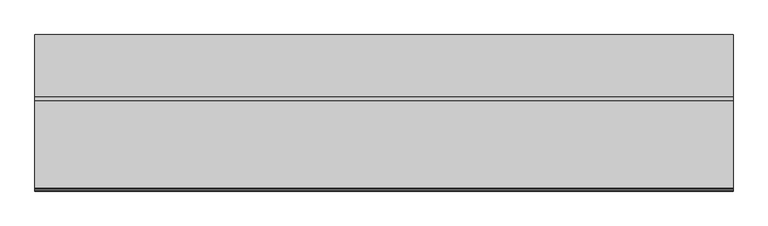
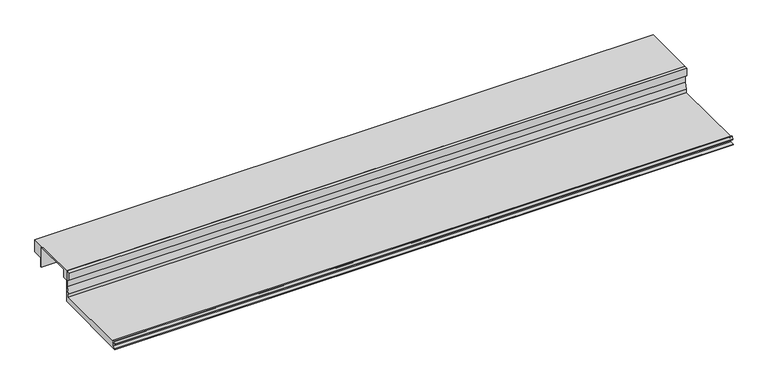
"""IFC4 building model written with IfcOpenShell, lengths in millimetres: proxy geometry."""

from ifc_helpers import new_model, si_unit, point, frame, frame_2d, origin, place, context, project, spatial, polyline, circle_curve, trimmed, segment, composite_curve, outline, extrude, source, transform, mapped, element, save


def specialty_equipment_e5507d51(model_context):
    return source(origin(), model_context, "Body", "SweptSolid", [
        extrude(outline(polyline([(165.632524, 63.5), (273.582524, 63.5), (273.582524, 38.1), (253.8379927, 38.1), (253.8379927, 19.05), (251.5559615, 19.05), (251.5559615, 61.1898306), (175.284524, 61.1898306), (175.284524, 44.45), (165.632524, 44.45), (165.632524, 63.5)])), frame((0.0, 0.0, 0.0), z_axis=(1.0, 0.0, 0.0), x_axis=(0.0, 1.0, 0.0)), (0.0, 0.0, 1.0), 1219.2),
        extrude(outline(composite_curve([segment(polyline([(165.632524, 0.0), (0.0, 0.0), (0.0, 1.651), (8.368424, 1.7970714), (8.368424, 9.7466904)]), True, "CONTINUOUS"), segment(trimmed(circle_curve(frame_2d((7.805541, 9.7466904)), 0.562883), [point((8.368424, 9.7466904))], [point((7.805541, 10.3095735))], True, "CARTESIAN"), True, "CONTINUOUS"), segment(polyline([(7.805541, 10.3095735), (1.0402986, 10.3095735)]), True, "CONTINUOUS"), segment(trimmed(circle_curve(frame_2d((1.0402986, 10.8138628)), 0.5042893), [point((1.0402986, 10.3095735))], [point((0.5832573, 11.0269846))], False, "CARTESIAN"), True, "CONTINUOUS"), segment(polyline([(0.5832573, 11.0269846), (2.843924, 15.875), (5.206124, 15.875), (5.206124, 12.7), (159.282524, 12.7), (159.282524, 19.05), (163.346524, 31.75), (163.346524, 46.0298451), (158.495124, 48.3942822), (158.495124, 63.5), (165.632524, 63.5), (165.632524, 0.0)]), True, "CONTINUOUS")], self_intersect=False)), frame((0.0, 0.0, 0.0), z_axis=(1.0, 0.0, 0.0), x_axis=(0.0, 1.0, 0.0)), (0.0, 0.0, 1.0), 1219.2),
    ])


if __name__ == "__main__":
    model = new_model("IFC4")
    model_context = context("Model", 3, world=origin())
    ifc_project = project(units=[si_unit("LENGTHUNIT", "METRE", prefix="MILLI")], contexts=[model_context])
    site = spatial("IfcSite", under=ifc_project)
    building = spatial("IfcBuilding", under=site)
    placement = place(None, origin())
    specialty_equipment_shape = specialty_equipment_e5507d51(model_context)
    element("IfcBuildingElementProxy", 1, Name="Specialty Equipment", at=placement, inside=building, context=model_context, shape_type="MappedRepresentation", body=[
        mapped(specialty_equipment_shape, transform((0.0, 0.0, 0.0), x_axis=(1.0, 0.0, 0.0), y_axis=(0.0, 1.0, 0.0), z_axis=(0.0, 0.0, 1.0))),
    ])
    save(model, "model.ifc")
